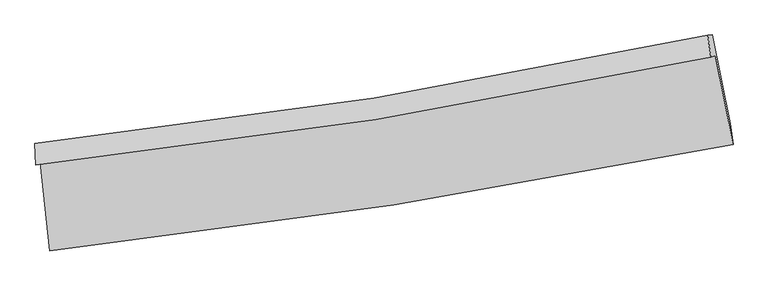
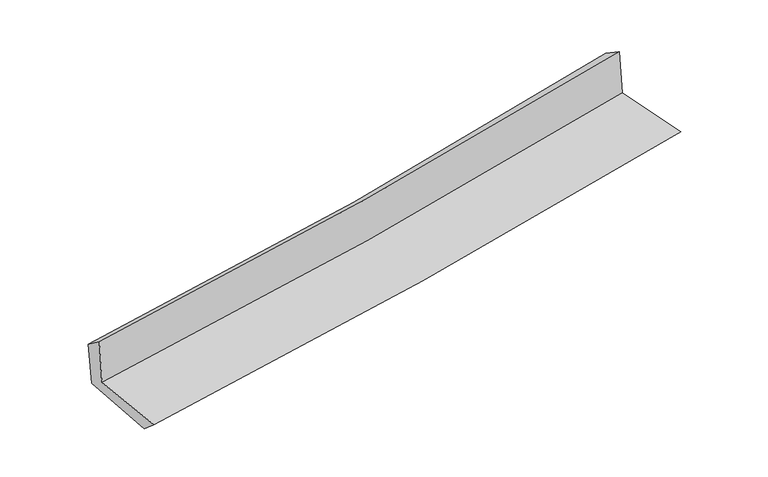
"""IFC4 building model written with IfcOpenShell, lengths in millimetres: proxy geometry."""

from ifc_helpers import new_model, si_unit, frame, origin, place, context, project, spatial, source, transform, mapped, element, save
from ifc_brep_helpers import plane_surface, spline_curve, spline_surface, advanced_brep


def generic_models_42114d64(model_context):
    return source(origin(), model_context, "Body", "AdvancedBrep", [
        advanced_brep(
        [(-2532.2498028, -1877.5603623, 1664.8920952), (-2460.7079424, -2536.2174858, 1649.8635595), (2604.2065651, -1744.8503314, 2101.301869), (2473.6547958, -1087.9173796, 2111.1445513), (-2565.0453251, -1896.4198081, 2063.2806939), (2439.3923016, -1096.9567526, 2504.3939308), (-2571.6004678, -1738.5054367, 1945.5903471), (2416.6113678, -935.3292359, 2404.9297089), (-2539.3730964, -1734.3200889, 1571.6130573), (2450.1918615, -931.7121794, 2030.7951736), (-2464.7577545, -2398.9250555, 1528.6647086), (2584.2591899, -1588.8900656, 1983.1268139)],
        [
            (0, 1),
            (1, 2, spline_curve(3, [(-2460.7079424, -2536.2174858, 1649.8635595), (-1608.527768764, -2441.829239982, 1728.328832531), (-758.764497984, -2328.364586794, 1805.318891583), (929.503827774, -2064.287364789, 1955.776043297), (1768.045392896, -1913.962966545, 2029.265420849), (2604.2065651, -1744.8503314, 2101.301869)], [4, 2, 4], [0.0, 8.428287668046092, 16.792673759366856])),
            (2, 3),
            (3, 0, spline_curve(3, [(2473.6547958, -1087.9173796, 2111.1445513), (1648.662493547, -1258.443342275, 2040.082675691), (820.606751992, -1409.334503772, 1967.51131067), (-847.981127713, -1672.84998621, 1818.783644263), (-1688.560252447, -1785.173152392, 1742.604190598), (-2532.2498028, -1877.5603623, 1664.8920952)], [4, 2, 4], [0.0, 8.364386091320764, 16.792673759366856])),
            (4, 0),
            (3, 5),
            (5, 4, spline_curve(3, [(2439.3923016, -1096.9567526, 2504.3939308), (1615.13255472, -1272.386523752, 2435.898405619), (787.565803965, -1426.551042583, 2365.040113447), (-880.529349303, -1693.36489035, 2218.038607688), (-1721.108474212, -1805.688056296, 2141.859153982), (-2565.0453251, -1896.4198081, 2063.2806939)], [4, 2, 4], [0.0, 8.316438583641578, 16.696412438423437])),
            (6, 4),
            (5, 7),
            (7, 6, spline_curve(3, [(2416.6113678, -935.3292359, 2404.9297089), (1596.191832705, -1112.916601847, 2326.975145584), (771.89437237, -1268.471101811, 2249.862030781), (-890.783427318, -1536.534437831, 2096.736004364), (-1729.22324561, -1648.705338259, 2020.735998316), (-2571.6004678, -1738.5054367, 1945.5903471)], [4, 2, 4], [0.0, 8.305245889507452, 16.67394154109389])),
            (8, 6),
            (7, 9),
            (9, 8, spline_curve(3, [(2450.1918615, -931.7121794, 2030.7951736), (1629.472012259, -1108.967705342, 1952.947325323), (804.911919633, -1264.308656148, 1875.900775422), (-858.217498536, -1532.180747345, 1722.827779722), (-1696.84572564, -1644.375766451, 1646.813624165), (-2539.3730964, -1734.3200889, 1571.6130573)], [4, 2, 4], [0.0, 8.29514111764524, 16.653654799730884])),
            (10, 8),
            (9, 11),
            (11, 10, spline_curve(3, [(2584.2591899, -1588.8900656, 1983.1268139), (1751.828082723, -1768.00299722, 1915.872449399), (916.473380573, -1924.890406886, 1844.533143729), (-766.487426149, -2195.242960974, 1693.10842926), (-1614.138372054, -2308.367214678, 1612.960366663), (-2464.7577545, -2398.9250555, 1528.6647086)], [4, 2, 4], [0.0, 8.344521787250589, 16.752793393484005])),
            (1, 10),
            (11, 2),
        ],
        [
            spline_surface(3, 3, [[(-2532.2498028, -1877.5603623, 1664.8920952), (-1688.56025249, -1785.173152287, 1742.604190664), (-847.981127743, -1672.849986162, 1818.783644246), (820.606752021, -1409.33450382, 1967.511310687), (1648.662493467, -1258.443342325, 2040.082675801), (2473.6547958, -1087.9173796, 2111.1445513)], [(-2508.402516003, -2097.112736812, 1659.882583296), (-1661.88275788, -2004.058514865, 1737.845737956), (-818.24225118, -1891.354853016, 1814.29539335), (856.905777275, -1627.652124181, 1963.599554894), (1688.456793315, -1476.949883771, 2036.476924127), (2517.17205224, -1306.895030195, 2107.863657191)], [(-2484.555229197, -2316.665111288, 1654.873071404), (-1635.205263261, -2222.943877407, 1733.087285262), (-788.503374586, -2109.859719847, 1809.807142461), (893.204802559, -1845.969744519, 1959.687799108), (1728.251093143, -1695.456425232, 2032.871172481), (2560.68930866, -1525.872680805, 2104.582763109)], [(-2460.7079424, -2536.2174858, 1649.8635595), (-1608.527768651, -2441.829239985, 1728.328832554), (-758.764498023, -2328.364586702, 1805.318891566), (929.503827813, -2064.287364881, 1955.776043314), (1768.045392991, -1913.962966679, 2029.265420807), (2604.2065651, -1744.8503314, 2101.301869)]], [4, 4], [4, 2, 4], [0.0, 2.174507548754821], [0.0, 8.428287668046092, 16.792673759366856]),
            spline_surface(3, 3, [[(-2565.0453251, -1896.4198081, 2063.2806939), (-1721.108474108, -1805.688056343, 2141.859153915), (-880.529349361, -1693.364890218, 2218.038607597), (787.565804024, -1426.551042714, 2365.040113538), (1615.132554825, -1272.386523665, 2435.898405551), (2439.3923016, -1096.9567526, 2504.3939308)], [(-2554.113484324, -1890.13332616, 1930.484494309), (-1710.259066893, -1798.849754984, 2008.77416614), (-869.679942147, -1686.52658886, 2084.953619822), (798.579453365, -1420.812196409, 2232.530512596), (1626.309201042, -1267.738796568, 2303.959828976), (2450.813133003, -1093.943628283, 2373.310804309)], [(-2543.181643576, -1883.84684424, 1797.688294791), (-1699.409659705, -1792.011453646, 1875.689178439), (-858.830534958, -1679.688287521, 1951.86863202), (809.59310268, -1415.073350124, 2100.020911629), (1637.48584725, -1263.091069422, 2172.021252375), (2462.233964397, -1090.930503917, 2242.227677791)], [(-2532.2498028, -1877.5603623, 1664.8920952), (-1688.56025249, -1785.173152287, 1742.604190664), (-847.981127743, -1672.849986162, 1818.783644246), (820.606752021, -1409.33450382, 1967.511310687), (1648.662493467, -1258.443342325, 2040.082675801), (2473.6547958, -1087.9173796, 2111.1445513)]], [4, 4], [4, 2, 4], [0.0, 1.31296345539858], [0.0, 8.37997385478186, 16.696412438423437]),
            spline_surface(3, 3, [[(-2571.6004678, -1738.5054367, 1945.5903471), (-1729.223245572, -1648.705338171, 2020.735998425), (-890.783427314, -1536.534437887, 2096.736004285), (771.894372366, -1268.471101755, 2249.862030859), (1596.19183261, -1112.916601791, 2326.975145604), (2416.6113678, -935.3292359, 2404.9297089)], [(-2569.415420231, -1791.143560499, 1984.82046271), (-1726.518321749, -1701.032910894, 2061.110383599), (-887.365401322, -1588.81125535, 2137.170205372), (777.118182927, -1321.164415427, 2288.254725068), (1602.505406678, -1166.073242427, 2363.282898902), (2424.205012396, -989.205074811, 2438.084449516)], [(-2567.230372669, -1843.781684301, 2024.05057829), (-1723.813397932, -1753.36048362, 2101.484768741), (-883.947375354, -1641.088072755, 2177.60440651), (782.341993463, -1373.857729042, 2326.647419328), (1608.818980757, -1219.229883029, 2399.590652253), (2431.798657004, -1043.080913689, 2471.239190184)], [(-2565.0453251, -1896.4198081, 2063.2806939), (-1721.108474108, -1805.688056343, 2141.859153915), (-880.529349361, -1693.364890218, 2218.038607597), (787.565804024, -1426.551042714, 2365.040113538), (1615.132554825, -1272.386523665, 2435.898405551), (2439.3923016, -1096.9567526, 2504.3939308)]], [4, 4], [4, 2, 4], [0.0, 0.6474520316851323], [0.0, 8.368695651586437, 16.67394154109389]),
            spline_surface(3, 3, [[(-2539.3730964, -1734.3200889, 1571.6130573), (-1696.845725566, -1644.375766538, 1646.813624292), (-858.217498646, -1532.180747434, 1722.827779772), (804.911919743, -1264.308656059, 1875.900775373), (1629.472012128, -1108.967705342, 1952.947325311), (2450.1918615, -931.7121794, 2030.7951736)], [(-2550.115553554, -1735.715204815, 1696.27215392), (-1707.638232255, -1645.818957064, 1771.45441569), (-869.072808209, -1533.631977557, 1847.463854623), (793.906070611, -1265.69613793, 2000.554527215), (1618.378618953, -1110.284004137, 2077.623265419), (2438.998363597, -932.917864879, 2155.506685377)], [(-2560.858010646, -1737.110320785, 1820.93125048), (-1718.430738883, -1647.262147645, 1896.095207027), (-879.928117751, -1535.083207764, 1972.099929434), (782.900221498, -1267.083619884, 2125.208279017), (1607.285225786, -1111.600302995, 2202.299205496), (2427.804865703, -934.123550421, 2280.218197123)], [(-2571.6004678, -1738.5054367, 1945.5903471), (-1729.223245572, -1648.705338171, 2020.735998425), (-890.783427314, -1536.534437887, 2096.736004285), (771.894372366, -1268.471101755, 2249.862030859), (1596.19183261, -1112.916601791, 2326.975145604), (2416.6113678, -935.3292359, 2404.9297089)]], [4, 4], [4, 2, 4], [0.0, 1.2316063344550967], [0.0, 8.358513682085643, 16.653654799730884]),
            spline_surface(3, 3, [[(-2464.7577545, -2398.9250555, 1528.6647086), (-1614.138372077, -2308.367214665, 1612.960366635), (-766.48742608, -2195.242960972, 1693.108429298), (916.473380504, -1924.890406888, 1844.533143691), (1751.828082667, -1768.002997289, 1915.872449455), (2584.2591899, -1588.8900656, 1983.1268139)], [(-2489.629535134, -2177.390066643, 1542.980824811), (-1641.707489907, -2087.036731965, 1624.244785832), (-797.06411693, -1974.222223157, 1703.014879442), (879.286226922, -1704.696489976, 1854.989020905), (1711.042725831, -1548.324566647, 1928.230741389), (2539.570080444, -1369.830770207, 1999.016267115)], [(-2514.501315766, -1955.855077757, 1557.296941089), (-1669.276607736, -1865.706249238, 1635.529205096), (-827.640807796, -1753.201485249, 1712.921329628), (842.099073325, -1484.502572971, 1865.444898159), (1670.257368964, -1328.646135984, 1940.589033377), (2494.880970956, -1150.771474793, 2014.905720385)], [(-2539.3730964, -1734.3200889, 1571.6130573), (-1696.845725566, -1644.375766538, 1646.813624292), (-858.217498646, -1532.180747434, 1722.827779772), (804.911919743, -1264.308656059, 1875.900775373), (1629.472012128, -1108.967705342, 1952.947325311), (2450.1918615, -931.7121794, 2030.7951736)]], [4, 4], [4, 2, 4], [0.0, 2.199068155448806], [0.0, 8.408271606233416, 16.752793393484005]),
            spline_surface(3, 3, [[(-2460.7079424, -2536.2174858, 1649.8635595), (-1608.527768651, -2441.829239985, 1728.328832554), (-758.764498023, -2328.364586702, 1805.318891566), (929.503827813, -2064.287364881, 1955.776043314), (1768.045392991, -1913.962966679, 2029.265420807), (2604.2065651, -1744.8503314, 2101.301869)], [(-2462.057879754, -2490.453342371, 1609.463942554), (-1610.39796978, -2397.341898216, 1689.872677268), (-761.33880738, -2283.990711435, 1767.915404154), (925.160345372, -2017.821712193, 1918.695076784), (1762.639622869, -1865.30964354, 1991.467763715), (2597.55744002, -1692.863576125, 2061.910183993)], [(-2463.407817146, -2444.689198929, 1569.064325546), (-1612.268170948, -2352.854556434, 1651.416521921), (-763.913116722, -2239.616836239, 1730.51191671), (920.816862945, -1971.356059576, 1881.614110221), (1757.233852788, -1816.656320428, 1953.670106546), (2590.90831498, -1640.876820875, 2022.518498907)], [(-2464.7577545, -2398.9250555, 1528.6647086), (-1614.138372077, -2308.367214665, 1612.960366635), (-766.48742608, -2195.242960972, 1693.108429298), (916.473380504, -1924.890406888, 1844.533143691), (1751.828082667, -1768.002997289, 1915.872449455), (2584.2591899, -1588.8900656, 1983.1268139)]], [4, 4], [4, 2, 4], [0.0, 0.5790574198254174], [0.0, 8.466792571318857, 16.869391629503983]),
            plane_surface(frame((2494.719347, -1230.9426574, 2189.2820079), z_axis=(0.9771332215115426, 0.19284295332756793, 0.08956708530691469), x_axis=(-0.08939162243656884, -0.009628641740785837, 0.9959500123482029))),
            plane_surface(frame((-2522.2890648, -2030.3247062, 1737.3174103), z_axis=(-0.9906323436336864, -0.10562546999304782, -0.08654952244569478), x_axis=(-0.1079548763974637, 0.9938971110242794, 0.022677684176293122))),
        ],
        [
            (0, [[1, 2, 3, 4]]),
            (1, [[5, -4, 6, 7]]),
            (2, [[8, -7, 9, 10]]),
            (3, [[11, -10, 12, 13]]),
            (4, [[14, -13, 15, 16]]),
            (5, [[17, -16, 18, -2]]),
            (6, [[-12, -9, -6, -3, -18, -15]]),
            (7, [[-1, -5, -8, -11, -14, -17]]),
        ],
    ),
    ])


if __name__ == "__main__":
    model = new_model("IFC4")
    model_context = context("Model", 3, world=origin())
    ifc_project = project(units=[si_unit("LENGTHUNIT", "METRE", prefix="MILLI")], contexts=[model_context])
    site = spatial("IfcSite", under=ifc_project)
    building = spatial("IfcBuilding", under=site)
    placement = place(None, origin())
    generic_models_shape = generic_models_42114d64(model_context)
    element("IfcBuildingElementProxy", 1, Name="Generic Models", at=placement, inside=building, context=model_context, shape_type="MappedRepresentation", body=[
        mapped(generic_models_shape, transform((0.0, 0.0, 0.0), x_axis=(1.0, 0.0, 0.0), y_axis=(0.0, 1.0, 0.0), z_axis=(0.0, 0.0, 1.0))),
    ])
    save(model, "model.ifc")
